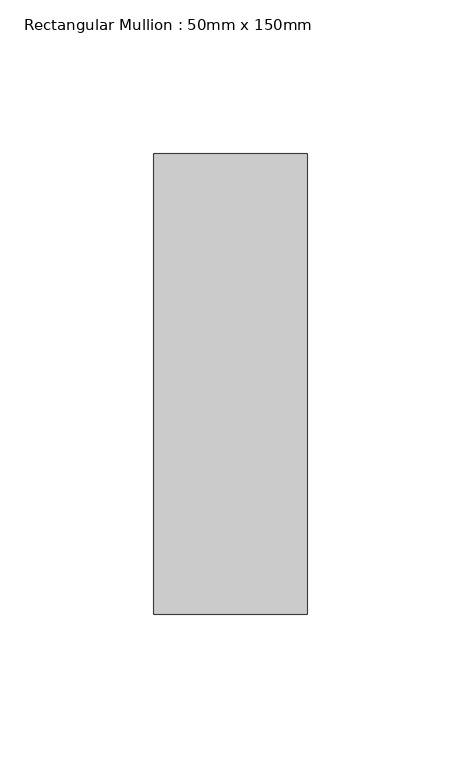
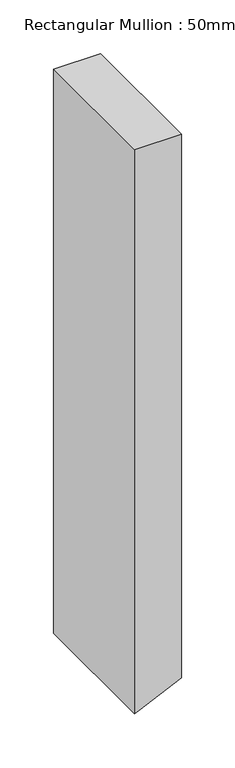
"""IFC4 building model written with IfcOpenShell, lengths in millimetres: member geometry, Rectangular Mullion : 50mm x 150mm."""

from ifc_helpers import new_model, si_unit, frame, origin, place, context, project, spatial, polyline, outline, extrude, source, transform, mapped, element, save


def rectangular_mullion_50mm_x_150mm_08baafbc(model_context):
    return source(origin(), model_context, "Body", "SweptSolid", [
        extrude(outline(polyline([(0.0, 25.0), (0.0, -25.0), (-638.7102726, -25.0), (-636.873776, -21.0411824), (-615.5152584, 25.0), (0.0, 25.0)])), frame((0.0, -75.0, 0.0), z_axis=(0.0, 1.0, 0.0), x_axis=(0.0, 0.0, 1.0)), (0.0, 0.0, 1.0), 150.0),
    ])


if __name__ == "__main__":
    model = new_model("IFC4")
    model_context = context("Model", 3, world=origin())
    ifc_project = project(units=[si_unit("LENGTHUNIT", "METRE", prefix="MILLI")], contexts=[model_context])
    site = spatial("IfcSite", under=ifc_project)
    building = spatial("IfcBuilding", under=site)
    placement = place(None, origin())
    rectangular_mullion_50mm_x_150mm_shape = rectangular_mullion_50mm_x_150mm_08baafbc(model_context)
    element("IfcMember", 1, ObjectType="Rectangular Mullion : 50mm x 150mm", at=placement, inside=building, context=model_context, shape_type="MappedRepresentation", body=[
        mapped(rectangular_mullion_50mm_x_150mm_shape, transform((0.0, 0.0, 0.0), x_axis=(1.0, 0.0, 0.0), y_axis=(0.0, 1.0, 0.0), z_axis=(0.0, 0.0, 1.0))),
    ])
    save(model, "model.ifc")
